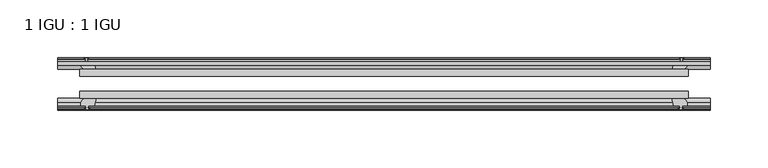
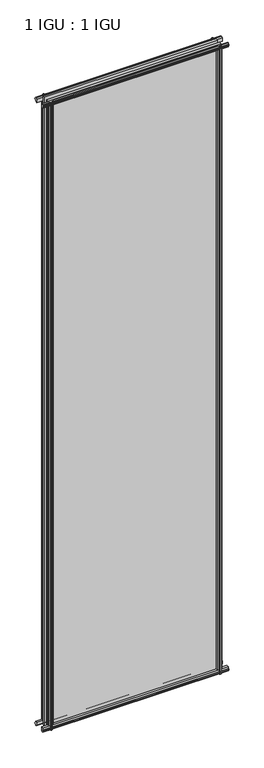
"""IFC4 building model written with IfcOpenShell, lengths in millimetres: plate geometry, 1 IGU : 1 IGU."""

from ifc_helpers import new_model, si_unit, frame, origin, place, context, project, spatial, polyline, outline, extrude, source, transform, mapped, element, save


def plate_1_igu_1_igu_a6307740(model_context):
    return source(origin(), model_context, "Body", "SweptSolid", [
        extrude(outline(polyline([(-263.5237721, -38.6468937), (263.5237721, -38.6468937), (263.5237721, -44.9460938), (-263.5237721, -44.9460938), (-263.5237721, -38.6468937)])), frame((0.0, 0.0, -12.7), z_axis=(0.0, 0.0, 1.0), x_axis=(1.0, 0.0, 0.0)), (0.0, 0.0, 1.0), 2019.2999999),
        extrude(outline(polyline([(-263.5237721, -19.5460937), (263.5237721, -19.5460937), (263.5237721, -25.8960938), (-263.5237721, -25.8960938), (-263.5237721, -19.5460937)])), frame((0.0, 0.0, -12.7), z_axis=(0.0, 0.0, 1.0), x_axis=(1.0, 0.0, 0.0)), (0.0, 0.0, 1.0), 2019.2999999),
        extrude(outline(polyline([(-44.9460937, 1.7177181), (-44.9460937, -9.1036578), (-48.3496937, -11.938), (-51.2960937, -11.938), (-51.2960937, -7.493), (-53.6762907, -7.112), (-53.2163575, -8.5275291), (-54.0175717, -8.5275291), (-54.7250937, -6.35), (-54.0175717, -4.1724709), (-53.2163575, -4.1724709), (-53.6762907, -5.588), (-51.2960937, -5.207), (-51.2960937, 0.0), (-44.9460937, 1.7177181)])), frame((-282.5737721, 0.0, 0.0), z_axis=(1.0, 0.0, 0.0), x_axis=(0.0, 1.0, 0.0)), (0.0, 0.0, 1.0), 565.1475441),
        extrude(outline(polyline([(-13.1960937, -12.4587), (-16.1424937, -12.4587), (-19.5460937, -9.6243578), (-19.5460937, 1.1970181), (-13.1960937, -0.5207), (-13.1960937, -5.7277), (-10.8158968, -6.1087), (-11.27583, -4.6931709), (-10.4746158, -4.6931709), (-9.7670937, -6.8707), (-10.4746158, -9.0482291), (-11.27583, -9.0482291), (-10.8158968, -7.6327), (-13.1960937, -8.0137), (-13.1960937, -12.4587)])), frame((-282.5737721, 0.0, 0.0), z_axis=(1.0, 0.0, 0.0), x_axis=(0.0, 1.0, 0.0)), (0.0, 0.0, 1.0), 565.1475441),
        extrude(outline(polyline([(-51.2960937, 2005.8379999), (-48.3496937, 2005.8379999), (-44.9460937, 2003.0036577), (-44.9460937, 1992.1822818), (-51.2960937, 1993.8999999), (-51.2960937, 1999.1069999), (-53.6762907, 1999.4879999), (-53.2163575, 1998.0724708), (-54.0175717, 1998.0724708), (-54.7250937, 2000.2499999), (-54.0175717, 2002.4275289), (-53.2163575, 2002.4275289), (-53.6762907, 2001.0119999), (-51.2960937, 2001.3929999), (-51.2960937, 2005.8379999)])), frame((-282.5737721, 0.0, 0.0), z_axis=(1.0, 0.0, 0.0), x_axis=(0.0, 1.0, 0.0)), (0.0, 0.0, 1.0), 565.1475441),
        extrude(outline(polyline([(-19.5460937, 1992.7029818), (-19.5460937, 2003.5243577), (-16.1424937, 2006.3586999), (-13.1960937, 2006.3586999), (-13.1960937, 2001.9136999), (-10.8158968, 2001.5326999), (-11.27583, 2002.9482289), (-10.4746158, 2002.9482289), (-9.7670937, 2000.7706999), (-10.4746158, 1998.5931708), (-11.27583, 1998.5931708), (-10.8158968, 2000.0086999), (-13.1960937, 1999.6276999), (-13.1960937, 1994.4206999), (-19.5460937, 1992.7029818)])), frame((-282.5737721, 0.0, 0.0), z_axis=(1.0, 0.0, 0.0), x_axis=(0.0, 1.0, 0.0)), (0.0, 0.0, 1.0), 565.1475441),
        extrude(outline(polyline([(249.626754, -19.5460938), (251.3444721, -13.1960938), (256.5514721, -13.1960938), (256.9324721, -10.8158968), (255.516943, -11.27583), (255.516943, -10.4746158), (257.6944721, -9.7670938), (259.8720011, -10.4746158), (259.8720011, -11.27583), (258.4564721, -10.8158968), (258.8374721, -13.1960938), (263.2824721, -13.1960938), (263.2824721, -16.1424938), (260.4481299, -19.5460938), (249.626754, -19.5460938)])), frame((0.0, 0.0, -12.7), z_axis=(0.0, 0.0, 1.0), x_axis=(1.0, 0.0, 0.0)), (0.0, 0.0, 1.0), 2019.3),
        extrude(outline(polyline([(249.106054, -44.9460938), (259.9274299, -44.9460938), (262.7617721, -48.3496938), (262.7617721, -51.2960938), (258.3167721, -51.2960938), (257.9357721, -53.6762907), (259.3513011, -53.2163575), (259.3513011, -54.0175717), (257.1737721, -54.7250938), (254.996243, -54.0175717), (254.996243, -53.2163575), (256.4117721, -53.6762907), (256.0307721, -51.2960938), (250.8237721, -51.2960938), (249.106054, -44.9460938)])), frame((0.0, 0.0, -12.7), z_axis=(0.0, 0.0, 1.0), x_axis=(1.0, 0.0, 0.0)), (0.0, 0.0, 1.0), 2019.3),
        extrude(outline(polyline([(-257.6944721, -9.7670937), (-255.516943, -10.4746158), (-255.516943, -11.27583), (-256.9324721, -10.8158968), (-256.5514721, -13.1960937), (-251.3444721, -13.1960937), (-249.626754, -19.5460937), (-260.4481299, -19.5460937), (-263.2824721, -16.1424937), (-263.2824721, -13.1960937), (-258.8374721, -13.1960937), (-258.4564721, -10.8158968), (-259.8720011, -11.27583), (-259.8720011, -10.4746158), (-257.6944721, -9.7670937)])), frame((0.0, 0.0, -12.7), z_axis=(0.0, 0.0, 1.0), x_axis=(1.0, 0.0, 0.0)), (0.0, 0.0, 1.0), 2019.3),
        extrude(outline(polyline([(-262.7617721, -48.3496937), (-259.9274299, -44.9460937), (-249.106054, -44.9460937), (-250.8237721, -51.2960937), (-256.0307721, -51.2960937), (-256.4117721, -53.6762907), (-254.996243, -53.2163575), (-254.996243, -54.0175717), (-257.1737721, -54.7250937), (-259.3513011, -54.0175717), (-259.3513011, -53.2163575), (-257.9357721, -53.6762907), (-258.3167721, -51.2960937), (-262.7617721, -51.2960937), (-262.7617721, -48.3496937)])), frame((0.0, 0.0, -12.7), z_axis=(0.0, 0.0, 1.0), x_axis=(1.0, 0.0, 0.0)), (0.0, 0.0, 1.0), 2019.3),
    ])


if __name__ == "__main__":
    model = new_model("IFC4")
    model_context = context("Model", 3, world=origin())
    ifc_project = project(units=[si_unit("LENGTHUNIT", "METRE", prefix="MILLI")], contexts=[model_context])
    site = spatial("IfcSite", under=ifc_project)
    building = spatial("IfcBuilding", under=site)
    placement = place(None, origin())
    plate_1_igu_1_igu_shape = plate_1_igu_1_igu_a6307740(model_context)
    element("IfcPlate", 1, ObjectType="1 IGU : 1 IGU", at=placement, inside=building, context=model_context, shape_type="MappedRepresentation", body=[
        mapped(plate_1_igu_1_igu_shape, transform((0.0, 0.0, 0.0), x_axis=(1.0, 0.0, 0.0), y_axis=(0.0, 1.0, 0.0), z_axis=(0.0, 0.0, 1.0))),
    ])
    save(model, "model.ifc")
